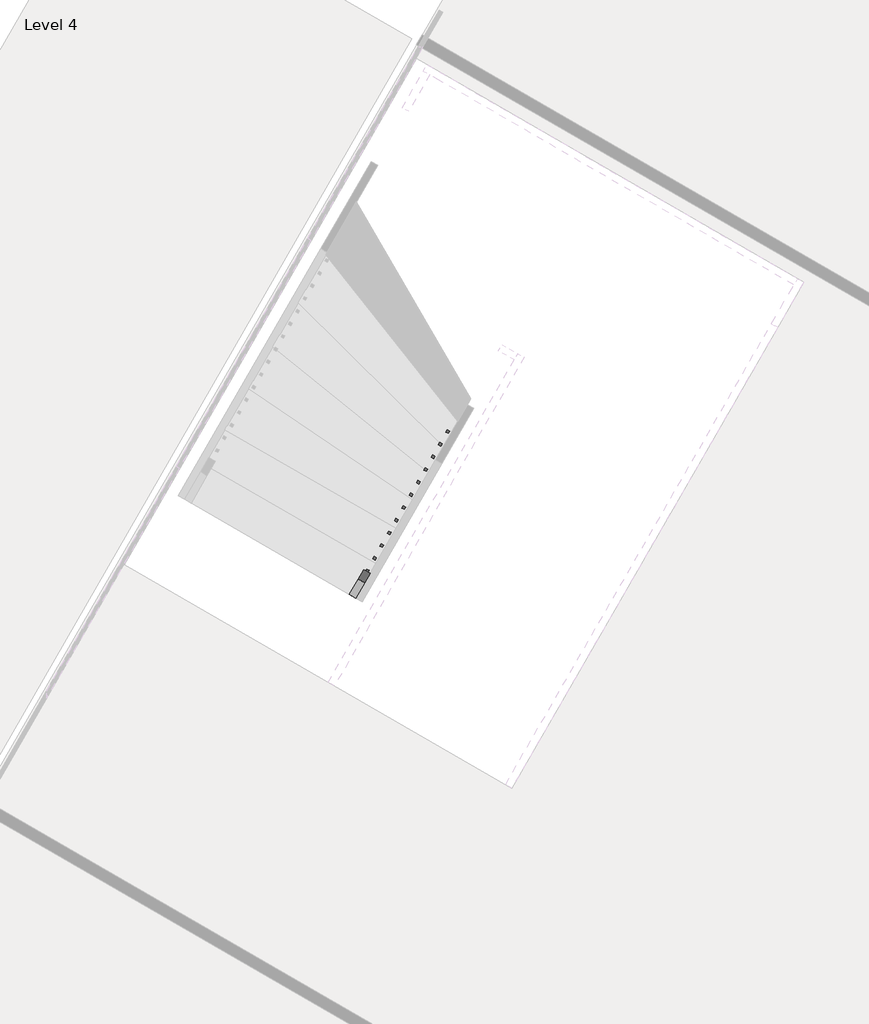
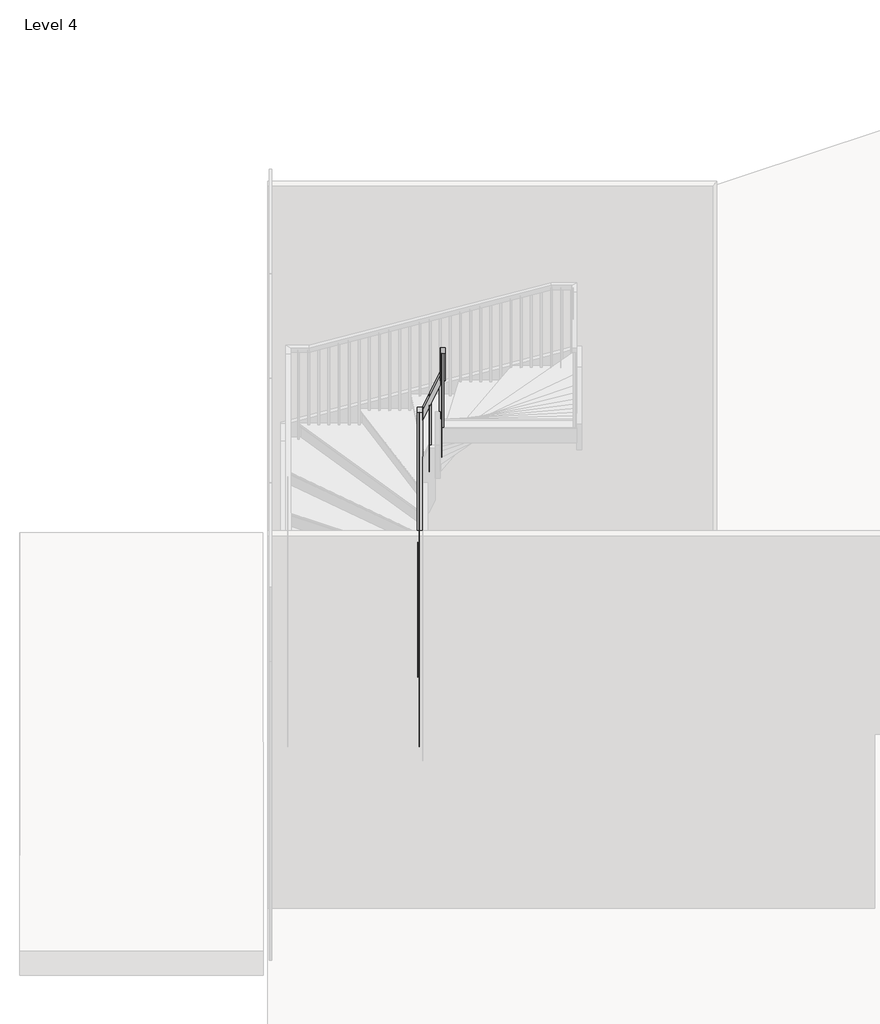
# One storey, part 4 of 5: 1 railing.
"""IFC4 building model written with IfcOpenShell, lengths in millimetres."""

from ifc_helpers import new_model, si_unit, frame, origin, place, context, project, spatial, polyline, outline, extrude, faceted_brep, element, save

model = new_model("IFC4")

# Units and contexts
model_context = context("Model", 3, world=origin())
ifc_project = project(units=[si_unit("LENGTHUNIT", "METRE", prefix="MILLI")], contexts=[model_context])

# Site, building, storey
site = spatial("IfcSite", under=ifc_project)
building = spatial("IfcBuilding", under=site)
storey = spatial("IfcBuildingStorey", under=building, Name="Level 4", Elevation=16764.0)

# Railing
placement = place(None, origin())
element("IfcRailing", 1, ObjectType="Handrail - Rectangular", at=placement, inside=storey, context=model_context, shape_type="SolidModel", body=[
    faceted_brep([(34014.7445548, -105247.8810454, 17854.2461538), (34014.7445548, -105247.8810454, 17786.1256213), (34058.7429103, -105273.2736568, 17786.1256213), (34058.7429103, -105273.2736568, 17854.2461538), (35013.3994654, -103517.4889589, 19639.1594253), (35023.0902639, -103500.6974918, 19588.3594253), (35067.0886194, -103526.0901032, 19588.3594253), (35057.3978209, -103542.8815702, 19639.1594253), (35056.3396329, -103443.0855535, 19639.1594253), (35100.3379884, -103468.4781649, 19639.1594253), (35100.3379884, -103468.4781649, 19588.3594253), (35056.3396329, -103443.0855535, 19588.3594253)], [[[0, 1, 2, 3]], [[1, 0, 4, 5]], [[2, 1, 5, 6]], [[3, 2, 6, 7]], [[0, 3, 7, 4]], [[8, 9, 10, 11]], [[5, 4, 8, 11]], [[6, 5, 11, 10]], [[7, 6, 10, 9]], [[4, 7, 9, 8]]]),
    faceted_brep([(35100.3379884, -103468.4781649, 19647.1386609), (35100.3379884, -103468.4781649, 19513.0722071), (35074.945377, -103512.4765204, 19513.0722071), (35074.945377, -103512.4765204, 19647.1386609), (35253.2433824, -103556.7239005, 20078.3105625), (35227.850771, -103600.722256, 20078.3105625), (35227.850771, -103600.722256, 19944.2441087), (35253.2433824, -103556.7239005, 19944.2441087)], [[[0, 1, 2, 3]], [[4, 5, 6, 7]], [[1, 0, 4, 7]], [[2, 1, 7, 6]], [[3, 2, 6, 5]], [[0, 3, 5, 4]]]),
    faceted_brep([(33954.6873083, -105908.39112, 22250.4), (33910.6889528, -105882.9985087, 22250.4), (33910.6889528, -105882.9985087, 22184.3438014), (33954.6873083, -105908.39112, 22184.3438014), (35244.9274311, -103672.7627016, 20038.924312), (35254.1024011, -103656.8650222, 20089.724312), (35200.9290756, -103647.3700902, 20038.924312), (35210.1040456, -103631.4724108, 20089.724312), (35297.2417379, -103582.1165118, 20089.724312), (35297.2417379, -103582.1165118, 20038.924312), (35253.2433824, -103556.7239005, 20038.924312), (35253.2433824, -103556.7239005, 20089.724312)], [[[0, 1, 2, 3]], [[4, 5, 0, 3]], [[6, 4, 3, 2]], [[7, 6, 2, 1]], [[5, 7, 1, 0]], [[8, 9, 10, 11]], [[9, 8, 5, 4]], [[10, 9, 4, 6]], [[11, 10, 6, 7]], [[8, 11, 7, 5]]]),
    extrude(outline(polyline([(236.5168117, -19.05), (220.6831883, 0.0), (1237.0891849, 0.0), (1237.0891849, -19.05), (236.5168117, -19.05)])), frame((33945.6190399, -105892.3446766, 22397.2430311), z_axis=(-0.8661093604012476, 0.4998545546709981, 0.0), x_axis=(0.0, 0.0, -1.0)), (0.0, 0.0, 1.0), 19.05),
    extrude(outline(polyline([(236.5168117, -19.05), (220.6831882, 0.0), (1152.6431932, 0.0), (1152.6431932, -19.05), (236.5168117, -19.05)])), frame((33996.4042626, -105804.3479656, 22312.7970394), z_axis=(-0.8661093604012476, 0.4998545546709981, 0.0), x_axis=(0.0, 0.0, -1.0)), (0.0, 0.0, 1.0), 19.05),
    extrude(outline(polyline([(236.5168118, -19.05), (220.6831883, 0.0), (1068.1972016, 0.0), (1068.1972016, -19.05), (236.5168118, -19.05)])), frame((34047.1894854, -105716.3512546, 22228.3510478), z_axis=(-0.8661093604012476, 0.4998545546709981, 0.0), x_axis=(0.0, 0.0, -1.0)), (0.0, 0.0, 1.0), 19.05),
    extrude(outline(polyline([(236.5168117, -19.05), (220.6831883, 0.0), (1159.5973638, 0.0), (1159.5973638, -19.05), (236.5168117, -19.05)])), frame((34097.9747081, -105628.3545436, 22143.9050561), z_axis=(-0.8661093604012476, 0.4998545546709981, 0.0), x_axis=(0.0, 0.0, -1.0)), (0.0, 0.0, 1.0), 19.05),
    extrude(outline(polyline([(236.5168117, -19.05), (220.6831883, 0.0), (1075.1513721, 0.0), (1075.1513721, -19.05), (236.5168117, -19.05)])), frame((34148.7599309, -105540.3578326, 22059.4590644), z_axis=(-0.8661093604012476, 0.4998545546709981, 0.0), x_axis=(0.0, 0.0, -1.0)), (0.0, 0.0, 1.0), 19.05),
    extrude(outline(polyline([(236.5168117, -19.05), (220.6831882, 0.0), (990.7053804, 0.0), (990.7053804, -19.05), (236.5168117, -19.05)])), frame((34199.5451536, -105452.3611215, 21975.0130727), z_axis=(-0.8661093604012476, 0.4998545546709981, 0.0), x_axis=(0.0, 0.0, -1.0)), (0.0, 0.0, 1.0), 19.05),
    extrude(outline(polyline([(236.5168118, -19.05), (220.6831883, 0.0), (1082.1055426, 0.0), (1082.1055426, -19.05), (236.5168118, -19.05)])), frame((34250.3303764, -105364.3644105, 21890.5670811), z_axis=(-0.8661093604012476, 0.4998545546709981, 0.0), x_axis=(0.0, 0.0, -1.0)), (0.0, 0.0, 1.0), 19.05),
    extrude(outline(polyline([(236.5168117, -19.05), (220.6831883, 0.0), (997.6595509, 0.0), (997.6595509, -19.05), (236.5168117, -19.05)])), frame((34301.1155991, -105276.3676995, 21806.1210894), z_axis=(-0.8661093604012476, 0.4998545546709981, 0.0), x_axis=(0.0, 0.0, -1.0)), (0.0, 0.0, 1.0), 19.05),
    extrude(outline(polyline([(236.5168117, -19.05), (220.6831883, 0.0), (1089.0597131, 0.0), (1089.0597131, -19.05), (236.5168117, -19.05)])), frame((34351.9008219, -105188.3709885, 21721.6750977), z_axis=(-0.8661093604012476, 0.4998545546709981, 0.0), x_axis=(0.0, 0.0, -1.0)), (0.0, 0.0, 1.0), 19.05),
    extrude(outline(polyline([(236.5168117, -19.05), (220.6831882, 0.0), (1004.6137214, 0.0), (1004.6137214, -19.05), (236.5168117, -19.05)])), frame((34402.6860446, -105100.3742775, 21637.229106), z_axis=(-0.8661093604012476, 0.4998545546709981, 0.0), x_axis=(0.0, 0.0, -1.0)), (0.0, 0.0, 1.0), 19.05),
    extrude(outline(polyline([(236.5168118, -19.0500001), (220.6831883, 0.0), (920.1677298, 0.0), (920.1677298, -19.0500001), (236.5168118, -19.0500001)])), frame((34453.4712674, -105012.3775665, 21552.7831144), z_axis=(-0.8661093604012476, 0.4998545546709981, 0.0), x_axis=(0.0, 0.0, -1.0)), (0.0, 0.0, 1.0), 19.05),
    extrude(outline(polyline([(236.5168117, -19.05), (220.6831883, 0.0), (1011.5678919, 0.0), (1011.5678919, -19.05), (236.5168117, -19.05)])), frame((34504.2564902, -104924.3808554, 21468.3371227), z_axis=(-0.8661093604012476, 0.4998545546709981, 0.0), x_axis=(0.0, 0.0, -1.0)), (0.0, 0.0, 1.0), 19.05),
    extrude(outline(polyline([(236.5168117, -19.05), (220.6831883, 0.0), (927.1219002, 0.0), (927.1219002, -19.05), (236.5168117, -19.05)])), frame((34555.0417129, -104836.3841444, 21383.891131), z_axis=(-0.8661093604012476, 0.4998545546709981, 0.0), x_axis=(0.0, 0.0, -1.0)), (0.0, 0.0, 1.0), 19.05),
    extrude(outline(polyline([(236.5168117, -19.05), (220.6831882, 0.0), (1018.5220624, 0.0), (1018.5220624, -19.05), (236.5168117, -19.05)])), frame((34605.8269357, -104748.3874334, 21299.4451393), z_axis=(-0.8661093604012476, 0.4998545546709981, 0.0), x_axis=(0.0, 0.0, -1.0)), (0.0, 0.0, 1.0), 19.05),
    extrude(outline(polyline([(236.5168118, -19.05), (220.6831883, 0.0), (934.0760708, 0.0), (934.0760708, -19.05), (236.5168118, -19.05)])), frame((34656.6121584, -104660.3907224, 21214.9991477), z_axis=(-0.8661093604012476, 0.4998545546709981, 0.0), x_axis=(0.0, 0.0, -1.0)), (0.0, 0.0, 1.0), 19.05),
    extrude(outline(polyline([(236.5168117, -19.05), (220.6831883, 0.0), (1025.4762329, 0.0), (1025.4762329, -19.05), (236.5168117, -19.05)])), frame((34707.3973812, -104572.3940114, 21130.553156), z_axis=(-0.8661093604012476, 0.4998545546709981, 0.0), x_axis=(0.0, 0.0, -1.0)), (0.0, 0.0, 1.0), 19.05),
    extrude(outline(polyline([(236.5168117, -19.0500001), (220.6831883, 0.0), (941.0302412, 0.0), (941.0302412, -19.0500001), (236.5168117, -19.0500001)])), frame((34758.1826039, -104484.3973004, 21046.1071643), z_axis=(-0.8661093604012476, 0.4998545546709981, 0.0), x_axis=(0.0, 0.0, -1.0)), (0.0, 0.0, 1.0), 19.05),
    extrude(outline(polyline([(236.5168117, -19.05), (220.6831882, 0.0), (856.5842495, 0.0), (856.5842495, -19.05), (236.5168117, -19.05)])), frame((34808.9678267, -104396.4005893, 20961.6611726), z_axis=(-0.8661093604012476, 0.4998545546709981, 0.0), x_axis=(0.0, 0.0, -1.0)), (0.0, 0.0, 1.0), 19.05),
    extrude(outline(polyline([(236.5168118, -19.05), (220.6831883, 0.0), (947.9844118, 0.0), (947.9844118, -19.05), (236.5168118, -19.05)])), frame((34859.7530494, -104308.4038783, 20877.215181), z_axis=(-0.8661093604012476, 0.4998545546709981, 0.0), x_axis=(0.0, 0.0, -1.0)), (0.0, 0.0, 1.0), 19.05),
    extrude(outline(polyline([(236.5168117, -19.05), (220.6831883, 0.0), (863.5384201, 0.0), (863.5384201, -19.05), (236.5168117, -19.05)])), frame((34910.5382722, -104220.4071673, 20792.7691893), z_axis=(-0.8661093604012476, 0.4998545546709981, 0.0), x_axis=(0.0, 0.0, -1.0)), (0.0, 0.0, 1.0), 19.05),
    extrude(outline(polyline([(236.5168117, -19.05), (220.6831883, 0.0), (954.9385822, 0.0), (954.9385822, -19.05), (236.5168117, -19.05)])), frame((34961.3234949, -104132.4104563, 20708.3231976), z_axis=(-0.8661093604012476, 0.4998545546709981, 0.0), x_axis=(0.0, 0.0, -1.0)), (0.0, 0.0, 1.0), 19.05),
    extrude(outline(polyline([(236.5168117, -19.05), (220.6831882, 0.0), (1046.3387444, 0.0), (1046.3387444, -19.05), (236.5168117, -19.05)])), frame((35012.1087177, -104044.4137453, 20623.8772059), z_axis=(-0.8661093604012476, 0.4998545546709981, 0.0), x_axis=(0.0, 0.0, -1.0)), (0.0, 0.0, 1.0), 19.05),
    extrude(outline(polyline([(236.5168118, -19.05), (220.6831883, 0.0), (961.8927528, 0.0), (961.8927528, -19.05), (236.5168118, -19.05)])), frame((35062.8939405, -103956.4170343, 20539.4312143), z_axis=(-0.8661093604012476, 0.4998545546709981, 0.0), x_axis=(0.0, 0.0, -1.0)), (0.0, 0.0, 1.0), 19.05),
    extrude(outline(polyline([(236.5168117, -19.05), (220.6831883, 0.0), (1053.2929149, 0.0), (1053.2929149, -19.05), (236.5168117, -19.05)])), frame((35113.6791632, -103868.4203232, 20454.9852226), z_axis=(-0.8661093604012476, 0.4998545546709981, 0.0), x_axis=(0.0, 0.0, -1.0)), (0.0, 0.0, 1.0), 19.05),
    extrude(outline(polyline([(236.5168117, -19.05), (220.6831883, 0.0), (1144.6930771, 0.0), (1144.6930771, -19.05), (236.5168117, -19.05)])), frame((35164.464386, -103780.4236122, 20370.5392309), z_axis=(-0.8661093604012476, 0.4998545546709981, 0.0), x_axis=(0.0, 0.0, -1.0)), (0.0, 0.0, 1.0), 19.05),
    extrude(outline(polyline([(236.5168117, -19.05), (220.6831882, 0.0), (1060.2470854, 0.0), (1060.2470854, -19.05), (236.5168117, -19.05)])), frame((35215.2496087, -103692.4269012, 20286.0932392), z_axis=(-0.8661093604012476, 0.4998545546709981, 0.0), x_axis=(0.0, 0.0, -1.0)), (0.0, 0.0, 1.0), 19.05),
    extrude(outline(polyline([(205.3370192, -19.05), (251.8629807, 0.0), (1125.9145148, 0.0), (1125.9145148, -19.05), (205.3370192, -19.05)])), frame((35228.6251207, -103582.8400595, 20175.9145148), z_axis=(0.4998545546710269, 0.8661093604012311, 0.0), x_axis=(0.0, 0.0, -1.0000000000000002)), (0.0, 0.0, 1.0), 19.05),
    extrude(outline(polyline([(205.3370192, -19.05), (251.8629808, 0.0), (1053.6222071, 0.0), (1053.6222071, -19.05), (205.3370192, -19.05)])), frame((35140.6284097, -103532.0548367, 19927.7760533), z_axis=(0.4998545546710269, 0.8661093604012311, 0.0), x_axis=(0.0, 0.0, -1.0000000000000002)), (0.0, 0.0, 1.0), 19.05),
    extrude(outline(polyline([(35055.9367647, -103513.6539371), (35039.4373814, -103504.1317078), (35048.9596106, -103487.6323245), (35065.4589939, -103497.1545538), (35055.9367647, -103513.6539371)])), frame((0.0, 0.0, 18698.3076923), z_axis=(0.0, 0.0, 1.0), x_axis=(1.0, 0.0, 0.0)), (0.0, 0.0, 1.0), 890.0517329),
    extrude(outline(polyline([(220.0903771, -19.05), (237.1096229, 0.0), (1216.8809905, 0.0), (1216.8809905, -19.05), (220.0903771, -19.05)])), frame((35005.1515419, -103601.6506481, 19739.342529), z_axis=(-0.8661093604012488, 0.49985455467099604, 0.0), x_axis=(0.0, 0.0, -1.0)), (0.0, 0.0, 1.0), 19.05),
    extrude(outline(polyline([(220.0903771, -19.05), (237.1096229, 0.0), (1301.9578334, 0.0), (1301.9578334, -19.05), (220.0903771, -19.05)])), frame((34954.3663192, -103689.6473591, 19648.573218), z_axis=(-0.8661093604012488, 0.49985455467099604, 0.0), x_axis=(0.0, 0.0, -1.0)), (0.0, 0.0, 1.0), 19.05),
    extrude(outline(polyline([(220.0903771, -19.05), (237.1096229, 0.0), (1211.1885225, 0.0), (1211.1885225, -19.05), (220.0903771, -19.05)])), frame((34903.5810964, -103777.6440701, 19557.8039071), z_axis=(-0.8661093604012488, 0.49985455467099604, 0.0), x_axis=(0.0, 0.0, -1.0)), (0.0, 0.0, 1.0), 19.05),
    extrude(outline(polyline([(220.0903771, -19.05), (237.1096229, 0.0), (1296.2653654, 0.0), (1296.2653654, -19.05), (220.0903771, -19.05)])), frame((34852.7958737, -103865.6407811, 19467.0345962), z_axis=(-0.8661093604012488, 0.49985455467099604, 0.0), x_axis=(0.0, 0.0, -1.0)), (0.0, 0.0, 1.0), 19.05),
    extrude(outline(polyline([(220.0903771, -19.0500001), (237.1096229, 0.0), (1381.3422083, 0.0), (1381.3422083, -19.0500001), (220.0903771, -19.0500001)])), frame((34802.0106509, -103953.6374922, 19376.2652852), z_axis=(-0.8661093604012488, 0.49985455467099604, 0.0), x_axis=(0.0, 0.0, -1.0)), (0.0, 0.0, 1.0), 19.05),
    extrude(outline(polyline([(220.0903771, -19.05), (237.1096229, 0.0), (1290.5728974, 0.0), (1290.5728974, -19.05), (220.0903771, -19.05)])), frame((34751.2254281, -104041.6342032, 19285.4959743), z_axis=(-0.8661093604012488, 0.49985455467099604, 0.0), x_axis=(0.0, 0.0, -1.0)), (0.0, 0.0, 1.0), 19.05),
    extrude(outline(polyline([(220.0903771, -19.05), (237.1096229, 0.0), (1375.6497403, 0.0), (1375.6497403, -19.05), (220.0903771, -19.05)])), frame((34700.4402054, -104129.6309142, 19194.7266634), z_axis=(-0.8661093604012488, 0.49985455467099604, 0.0), x_axis=(0.0, 0.0, -1.0)), (0.0, 0.0, 1.0), 19.05),
    extrude(outline(polyline([(220.0903771, -19.05), (237.1096229, 0.0), (1460.7265833, 0.0), (1460.7265833, -19.05), (220.0903771, -19.05)])), frame((34649.6549826, -104217.6276252, 19103.9573525), z_axis=(-0.8661093604012488, 0.49985455467099604, 0.0), x_axis=(0.0, 0.0, -1.0)), (0.0, 0.0, 1.0), 19.05),
    extrude(outline(polyline([(220.0903771, -19.05), (237.1096229, 0.0), (1369.9572723, 0.0), (1369.9572723, -19.05), (220.0903771, -19.05)])), frame((34598.8697599, -104305.6243362, 19013.1880415), z_axis=(-0.8661093604012488, 0.49985455467099604, 0.0), x_axis=(0.0, 0.0, -1.0)), (0.0, 0.0, 1.0), 19.05),
    extrude(outline(polyline([(220.0903771, -19.05), (237.1096229, 0.0), (1279.1879614, 0.0), (1279.1879614, -19.05), (220.0903771, -19.05)])), frame((34548.0845371, -104393.6210472, 18922.4187306), z_axis=(-0.8661093604012488, 0.49985455467099604, 0.0), x_axis=(0.0, 0.0, -1.0)), (0.0, 0.0, 1.0), 19.05),
    extrude(outline(polyline([(220.0903771, -19.05), (237.1096229, 0.0), (1364.2648043, 0.0), (1364.2648043, -19.05), (220.0903771, -19.05)])), frame((34497.2993144, -104481.6177583, 18831.6494197), z_axis=(-0.8661093604012488, 0.49985455467099604, 0.0), x_axis=(0.0, 0.0, -1.0)), (0.0, 0.0, 1.0), 19.05),
    extrude(outline(polyline([(220.0903771, -19.05), (237.1096229, 0.0), (1273.4954933, 0.0), (1273.4954933, -19.05), (220.0903771, -19.05)])), frame((34446.5140916, -104569.6144693, 18740.8801087), z_axis=(-0.8661093604012488, 0.49985455467099604, 0.0), x_axis=(0.0, 0.0, -1.0)), (0.0, 0.0, 1.0), 19.05),
    extrude(outline(polyline([(220.0903771, -19.05), (237.1096229, 0.0), (1358.5723363, 0.0), (1358.5723363, -19.05), (220.0903771, -19.05)])), frame((34395.7288689, -104657.6111803, 18650.1107978), z_axis=(-0.8661093604012488, 0.49985455467099604, 0.0), x_axis=(0.0, 0.0, -1.0)), (0.0, 0.0, 1.0), 19.05),
    extrude(outline(polyline([(220.0903771, -19.05), (237.1096229, 0.0), (1267.8030254, 0.0), (1267.8030254, -19.05), (220.0903771, -19.05)])), frame((34344.9436461, -104745.6078913, 18559.3414869), z_axis=(-0.8661093604012488, 0.49985455467099604, 0.0), x_axis=(0.0, 0.0, -1.0)), (0.0, 0.0, 1.0), 19.05),
    extrude(outline(polyline([(220.0903771, -19.05), (237.1096229, 0.0), (1352.8798683, 0.0), (1352.8798683, -19.05), (220.0903771, -19.05)])), frame((34294.1584234, -104833.6046023, 18468.572176), z_axis=(-0.8661093604012488, 0.49985455467099604, 0.0), x_axis=(0.0, 0.0, -1.0)), (0.0, 0.0, 1.0), 19.05),
    extrude(outline(polyline([(220.0903771, -19.05), (237.1096229, 0.0), (1262.1105573, 0.0), (1262.1105573, -19.05), (220.0903771, -19.05)])), frame((34243.3732006, -104921.6013133, 18377.802865), z_axis=(-0.8661093604012488, 0.49985455467099604, 0.0), x_axis=(0.0, 0.0, -1.0)), (0.0, 0.0, 1.0), 19.05),
    extrude(outline(polyline([(220.0903771, -19.0500001), (237.1096229, 0.0), (1171.3412464, 0.0), (1171.3412464, -19.0500001), (220.0903771, -19.0500001)])), frame((34192.5879778, -105009.5980244, 18287.0335541), z_axis=(-0.8661093604012488, 0.49985455467099604, 0.0), x_axis=(0.0, 0.0, -1.0)), (0.0, 0.0, 1.0), 19.05),
    extrude(outline(polyline([(220.0903771, -19.05), (237.1096229, 0.0), (1256.4180894, 0.0), (1256.4180894, -19.05), (220.0903771, -19.05)])), frame((34141.8027551, -105097.5947354, 18196.2642432), z_axis=(-0.8661093604012488, 0.49985455467099604, 0.0), x_axis=(0.0, 0.0, -1.0)), (0.0, 0.0, 1.0), 19.05),
    extrude(outline(polyline([(220.0903771, -19.05), (237.1096229, 0.0), (1165.6487784, 0.0), (1165.6487784, -19.05), (220.0903771, -19.05)])), frame((34091.0175323, -105185.5914464, 18105.4949322), z_axis=(-0.8661093604012488, 0.49985455467099604, 0.0), x_axis=(0.0, 0.0, -1.0)), (0.0, 0.0, 1.0), 19.05),
    extrude(outline(polyline([(205.3370193, -19.05), (251.8629808, 0.0), (1184.8787241, 0.0), (1184.8787241, -19.05), (205.3370193, -19.05)])), frame((35249.5354482, -103594.9079609, 20234.8787241), z_axis=(0.4998545546710269, 0.8661093604012311, 0.0), x_axis=(0.0, 0.0, -1.0000000000000002)), (0.0, 0.0, 1.0), 19.05),
    extrude(outline(polyline([(35069.131082, -103490.7918432), (35052.6316987, -103481.269614), (35062.1539279, -103464.7702306), (35078.6533113, -103474.2924599), (35069.131082, -103490.7918432)])), frame((0.0, 0.0, 18698.3076923), z_axis=(0.0, 0.0, 1.0), x_axis=(1.0, 0.0, 0.0)), (0.0, 0.0, 1.0), 890.0517329),
    extrude(outline(polyline([(236.5168117, -19.05), (220.6831882, 0.0), (1244.8731434, 0.0), (1244.8731434, -19.05), (236.5168117, -19.05)])), frame((33940.9378222, -105900.455929, 22405.0269896), z_axis=(-0.8661093604012476, 0.4998545546709981, 0.0), x_axis=(0.0, 0.0, -1.0)), (0.0, 0.0, 1.0), 19.05),
    extrude(outline(polyline([(220.0903771, -19.05), (237.1096229, 0.0), (1083.3890904, 0.0), (1083.3890904, -19.05), (220.0903771, -19.05)])), frame((34044.9934242, -105265.3384657, 18023.2352442), z_axis=(-0.8661093604012488, 0.49985455467099604, 0.0), x_axis=(0.0, 0.0, -1.0)), (0.0, 0.0, 1.0), 19.05),
])

save(model, "model.ifc")
